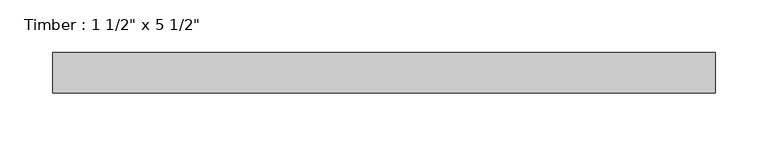
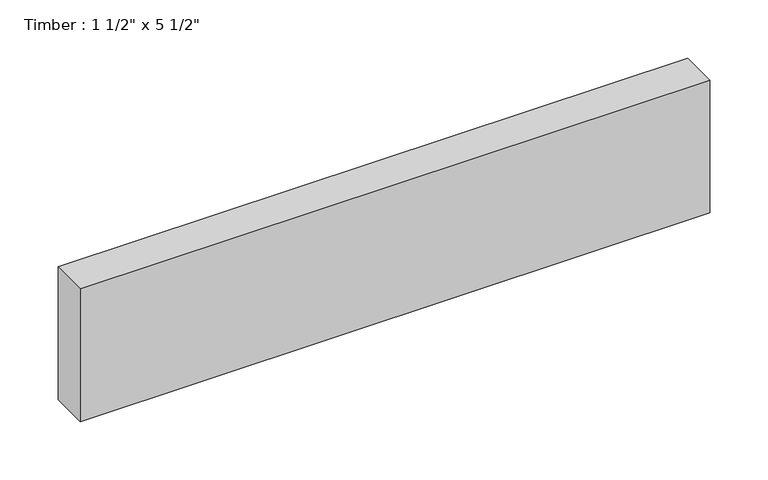
"""IFC4 building model written with IfcOpenShell, lengths in millimetres: beam geometry."""

from ifc_helpers import new_model, si_unit, frame, origin, place, context, project, spatial, polyline, outline, extrude, source, transform, mapped, element, save


def beam_f7409a9d(model_context):
    return source(origin(), model_context, "Body", "SweptSolid", [
        extrude(outline(polyline([(313.0115094, 19.05), (313.0115094, -19.05), (-313.0115094, -19.05), (-313.0115094, 19.05), (313.0115094, 19.05)])), frame((0.0, 0.0, -69.85), z_axis=(0.0, 0.0, 1.0), x_axis=(1.0, 0.0, 0.0)), (0.0, 0.0, 1.0), 139.7),
    ])


if __name__ == "__main__":
    model = new_model("IFC4")
    model_context = context("Model", 3, world=origin())
    ifc_project = project(units=[si_unit("LENGTHUNIT", "METRE", prefix="MILLI")], contexts=[model_context])
    site = spatial("IfcSite", under=ifc_project)
    building = spatial("IfcBuilding", under=site)
    placement = place(None, origin())
    beam_shape = beam_f7409a9d(model_context)
    element("IfcBeam", 1, ObjectType="Timber : 1 1/2\" x 5 1/2\"", at=placement, inside=building, context=model_context, shape_type="MappedRepresentation", body=[
        mapped(beam_shape, transform((0.0, 0.0, 0.0), x_axis=(1.0, 0.0, 0.0), y_axis=(0.0, 1.0, 0.0), z_axis=(0.0, 0.0, 1.0))),
    ])
    save(model, "model.ifc")
